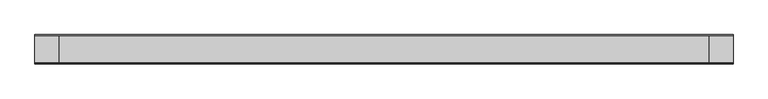
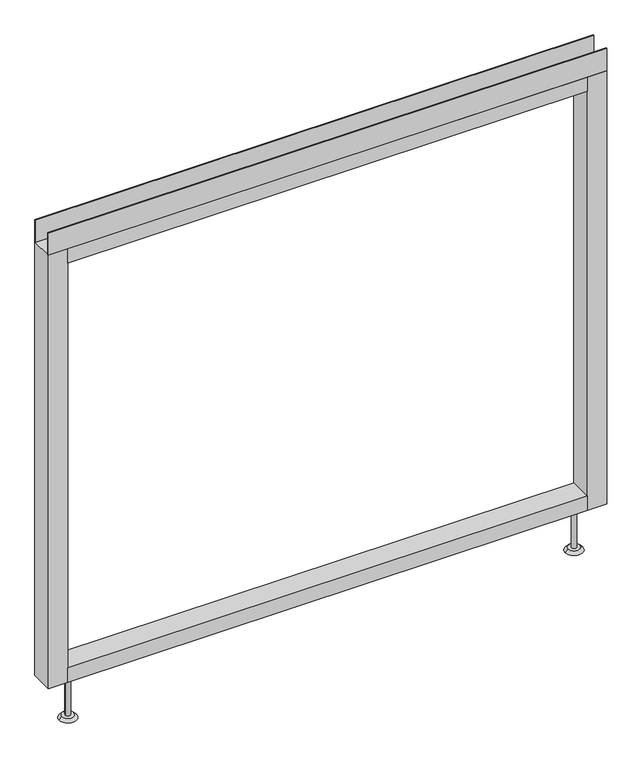
"""IFC4 building model written with IfcOpenShell, lengths in millimetres: furniture geometry."""

from ifc_helpers import new_model, si_unit, point, frame, frame_2d, origin, place, context, project, spatial, polyline, circle_curve, trimmed, segment, composite_curve, outline, extrude, source, transform, mapped, element, save
from ifc_brep_helpers import plane_surface, revolved_surface, advanced_brep


def furniture_f210db83(model_context):
    return source(origin(), model_context, "Body", "SolidModel", [
        advanced_brep(
        [(539.75, 0.0, 6.35), (565.15, 0.0, 6.35), (533.4, 0.0, 0.0), (571.5, 0.0, 0.0)],
        [
            (0, 1, circle_curve(frame((552.45, 0.0, 6.35), z_axis=(0.0, 0.0, 1.0), x_axis=(-1.0, 0.0, 0.0)), 12.7)),
            (1, 0, circle_curve(frame((552.45, 0.0, 6.35), z_axis=(0.0, 0.0, 1.0), x_axis=(1.0, 0.0, 0.0)), 12.7)),
            (2, 3, circle_curve(frame((552.45, 0.0, 0.0), z_axis=(0.0, 0.0, -1.0), x_axis=(1.0, 0.0, 0.0)), 19.05)),
            (3, 2, circle_curve(frame((552.45, 0.0, 0.0), z_axis=(0.0, 0.0, -1.0), x_axis=(-1.0, 0.0, 0.0)), 19.05)),
            (3, 1),
            (0, 2),
        ],
        [
            plane_surface(frame((552.45, 0.0, 6.35), z_axis=(0.0, 0.0, 1.0), x_axis=(0.0, -1.0, 0.0))),
            plane_surface(frame((552.45, 0.0, 0.0), z_axis=(0.0, 0.0, -1.0), x_axis=(0.0, -1.0, 0.0))),
            revolved_surface(polyline([(539.75, 0.0, 6.35), (533.4, 0.0, 0.0)]), (552.45, 0.0, 19.05), (0.0, 0.0, -1.0)),
            revolved_surface(polyline([(565.15, 0.0, 6.35), (571.5, 0.0, 0.0)]), (552.45, 0.0, 19.05), (0.0, 0.0, -1.0)),
        ],
        [
            (0, [[1, 2]]),
            (1, [[3, 4]]),
            (2, [[-4, 5, -1, 6]]),
            (3, [[-3, -6, -2, -5]]),
        ],
    ),
        advanced_brep(
        [(-565.15, 0.0, 6.35), (-539.75, 0.0, 6.35), (-571.5, 0.0, 0.0), (-533.4, 0.0, 0.0)],
        [
            (0, 1, circle_curve(frame((-552.45, 0.0, 6.35), z_axis=(0.0, 0.0, 1.0), x_axis=(-1.0, 0.0, 0.0)), 12.7)),
            (1, 0, circle_curve(frame((-552.45, 0.0, 6.35), z_axis=(0.0, 0.0, 1.0), x_axis=(1.0, 0.0, 0.0)), 12.7)),
            (2, 3, circle_curve(frame((-552.45, 0.0, 0.0), z_axis=(0.0, 0.0, -1.0), x_axis=(1.0, 0.0, 0.0)), 19.05)),
            (3, 2, circle_curve(frame((-552.45, 0.0, 0.0), z_axis=(0.0, 0.0, -1.0), x_axis=(-1.0, 0.0, 0.0)), 19.05)),
            (3, 1),
            (0, 2),
        ],
        [
            plane_surface(frame((-552.45, 0.0, 6.35), z_axis=(0.0, 0.0, 1.0), x_axis=(0.0, -1.0, 0.0))),
            plane_surface(frame((-552.45, 0.0, 0.0), z_axis=(0.0, 0.0, -1.0), x_axis=(0.0, -1.0, 0.0))),
            revolved_surface(polyline([(-565.15, 0.0, 6.35), (-571.5, 0.0, 0.0)]), (-552.45, 0.0, 19.05), (0.0, 0.0, -1.0)),
            revolved_surface(polyline([(-539.75, 0.0, 6.35), (-533.4, 0.0, 0.0)]), (-552.45, 0.0, 19.05), (0.0, 0.0, -1.0)),
        ],
        [
            (0, [[1, 2]]),
            (1, [[3, 4]]),
            (2, [[-4, 5, -1, 6]]),
            (3, [[-3, -6, -2, -5]]),
        ],
    ),
        extrude(outline(polyline([(609.6, -23.8125), (609.6, -25.4), (-609.6, -25.4), (-609.6, -23.8125), (609.6, -23.8125)])), frame((0.0, 0.0, 1102.233), z_axis=(0.0, 0.0, 1.0), x_axis=(1.0, 0.0, 0.0)), (0.0, 0.0, 1.0), 51.435),
        extrude(outline(polyline([(609.6, 25.4), (609.6, 23.8125), (-609.6, 23.8125), (-609.6, 25.4), (609.6, 25.4)])), frame((0.0, 0.0, 1102.233), z_axis=(0.0, 0.0, 1.0), x_axis=(1.0, 0.0, 0.0)), (0.0, 0.0, 1.0), 51.435),
        extrude(outline(polyline([(566.7375, -25.4), (-566.7375, -25.4), (-566.7375, 25.4), (566.7375, 25.4), (566.7375, -25.4)])), frame((0.0, 0.0, 1069.34), z_axis=(0.0, 0.0, 1.0), x_axis=(1.0, 0.0, 0.0)), (0.0, 0.0, 1.0), 32.893),
        extrude(outline(polyline([(566.7375, -25.4), (-566.7375, -25.4), (-566.7375, 25.4), (566.7375, 25.4), (566.7375, -25.4)])), frame((0.0, 0.0, 101.6), z_axis=(0.0, 0.0, 1.0), x_axis=(1.0, 0.0, 0.0)), (0.0, 0.0, 1.0), 32.893),
        extrude(outline(composite_curve([segment(trimmed(circle_curve(frame_2d((-552.45, 0.0)), 5.55625), [point((-558.00625, 0.0))], [point((-546.89375, 0.0))], False, "CARTESIAN"), True, "CONTINUOUS"), segment(trimmed(circle_curve(frame_2d((-552.45, 0.0)), 5.55625), [point((-546.89375, 0.0))], [point((-558.00625, 0.0))], False, "CARTESIAN"), True, "CONTINUOUS")], self_intersect=False)), frame((0.0, 0.0, 6.35), z_axis=(0.0, 0.0, 1.0), x_axis=(1.0, 0.0, 0.0)), (0.0, 0.0, 1.0), 95.25),
        extrude(outline(composite_curve([segment(trimmed(circle_curve(frame_2d((552.45, 0.0)), 5.55625), [point((546.89375, 0.0))], [point((558.00625, 0.0))], False, "CARTESIAN"), True, "CONTINUOUS"), segment(trimmed(circle_curve(frame_2d((552.45, 0.0)), 5.55625), [point((558.00625, 0.0))], [point((546.89375, 0.0))], False, "CARTESIAN"), True, "CONTINUOUS")], self_intersect=False)), frame((0.0, 0.0, 6.35), z_axis=(0.0, 0.0, 1.0), x_axis=(1.0, 0.0, 0.0)), (0.0, 0.0, 1.0), 95.25),
        extrude(outline(polyline([(-566.7375, -25.4), (-609.6, -25.4), (-609.6, 25.4), (-566.7375, 25.4), (-566.7375, -25.4)])), frame((0.0, 0.0, 101.6), z_axis=(0.0, 0.0, 1.0), x_axis=(1.0, 0.0, 0.0)), (0.0, 0.0, 1.0), 1000.633),
        extrude(outline(polyline([(609.6, -25.4), (566.7375, -25.4), (566.7375, 25.4), (609.6, 25.4), (609.6, -25.4)])), frame((0.0, 0.0, 101.6), z_axis=(0.0, 0.0, 1.0), x_axis=(1.0, 0.0, 0.0)), (0.0, 0.0, 1.0), 1000.633),
    ])


if __name__ == "__main__":
    model = new_model("IFC4")
    model_context = context("Model", 3, world=origin())
    ifc_project = project(units=[si_unit("LENGTHUNIT", "METRE", prefix="MILLI")], contexts=[model_context])
    site = spatial("IfcSite", under=ifc_project)
    building = spatial("IfcBuilding", under=site)
    placement = place(None, origin())
    furniture_shape = furniture_f210db83(model_context)
    element("IfcFurniture", 1, at=placement, inside=building, context=model_context, shape_type="MappedRepresentation", body=[
        mapped(furniture_shape, transform((0.0, 0.0, 0.0), x_axis=(1.0, 0.0, 0.0), y_axis=(0.0, 1.0, 0.0), z_axis=(0.0, 0.0, 1.0))),
    ])
    save(model, "model.ifc")
